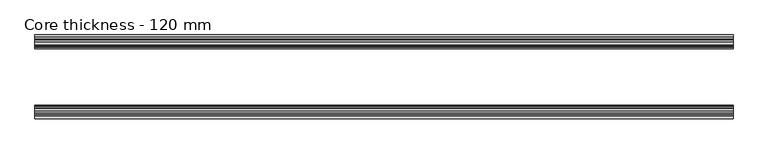
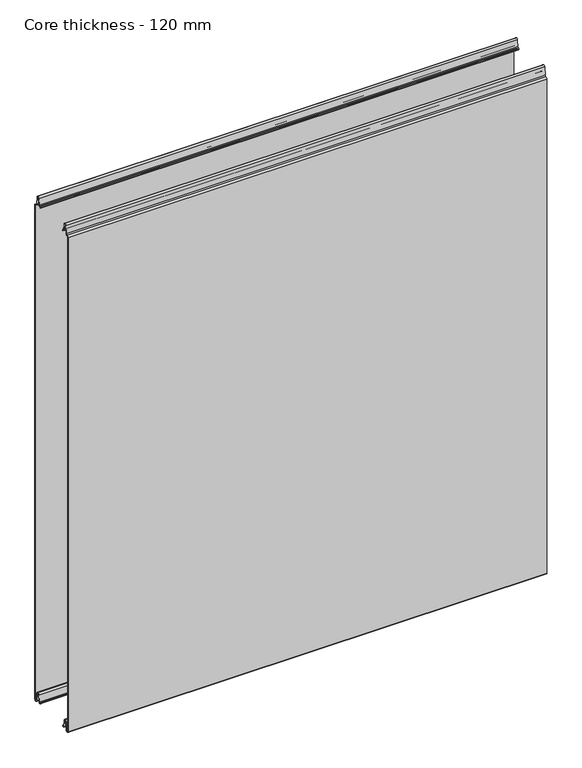
"""IFC4 building model written with IfcOpenShell, lengths in millimetres: plate geometry, Core thickness - 120 mm."""

import ifcopenshell
import ifcopenshell.guid

model = None  # the IFC model being written
_history = None  # IfcOwnerHistory: only IFC2X3 demands one
_inside = {}  # id of a spatial element -> (the spatial element, [elements in it])
_under = {}  # id of a project, library or spatial element -> (it, [spatial elements below it])
_declared = {}  # id of a project -> (the project, [libraries it declares])
_typed = {}  # id of a type object -> (the type object, [elements of that type])
_made_of = {}  # id of a material, layer set ... -> (it, [elements and type objects made of it])


def new_model(schema):
    """Start an empty IFC model of exactly this schema.

    Asked for "IFC4X3", IfcOpenShell would pick the latest addendum, in which some entities
    have other attributes; the version numbers below select the first issue.
    IFC2X3 requires an IfcOwnerHistory on every rooted entity: one is made here for all.
    """
    global model, _history
    if schema == "IFC4X3":
        model = ifcopenshell.file(schema_version=(4, 3, 0, 0))
    else:
        model = ifcopenshell.file(schema=schema)
    _inside.clear()
    _under.clear()
    _declared.clear()
    _typed.clear()
    _made_of.clear()
    _history = None
    if model.schema == "IFC2X3":
        org = make("IfcOrganization", Name="unknown")
        user = make(
            "IfcPersonAndOrganization",
            ThePerson=make("IfcPerson", FamilyName="unknown"),
            TheOrganization=org,
        )
        app = make(
            "IfcApplication",
            ApplicationDeveloper=org,
            Version="unknown",
            ApplicationFullName="unknown",
            ApplicationIdentifier="unknown",
        )
        _history = make(
            "IfcOwnerHistory",
            OwningUser=user,
            OwningApplication=app,
            ChangeAction="ADDED",
            CreationDate=0,
        )
    return model


def make(cls, **values):
    """One entity of the class cls with the attributes given. An attribute that is None is left unset."""
    return model.create_entity(
        cls, **{name: value for name, value in values.items() if value is not None}
    )


def rooted(cls, **values):
    """An entity with a GlobalId (a new one), such as an element, a storey or a relation."""
    return make(cls, GlobalId=ifcopenshell.guid.new(), OwnerHistory=_history, **values)


def si_unit(unit_type, name, prefix=None):
    """IfcSIUnit, for example si_unit("LENGTHUNIT", "METRE", prefix="MILLI")."""
    return make("IfcSIUnit", UnitType=unit_type, Prefix=prefix, Name=name)


def assignment(units):
    """IfcUnitAssignment: the units of a project."""
    return None if units is None else make("IfcUnitAssignment", Units=units)


def point(xyz):
    """IfcCartesianPoint."""
    return None if xyz is None else make("IfcCartesianPoint", Coordinates=xyz)


def direction(xyz):
    """IfcDirection."""
    return None if xyz is None else make("IfcDirection", DirectionRatios=xyz)


def frame(location, z_axis=None, x_axis=None):
    """IfcAxis2Placement3D, a coordinate frame: its origin and axes. An axis left out is left unset."""
    return make(
        "IfcAxis2Placement3D",
        Location=point(location),
        Axis=direction(z_axis),
        RefDirection=direction(x_axis),
    )


def origin():
    """The frame at (0, 0, 0) with its axes left unset."""
    return frame((0.0, 0.0, 0.0))


def place(relative_to, where):
    """IfcLocalPlacement: puts the frame where relative to a parent placement (None: the world)."""
    return make(
        "IfcLocalPlacement", PlacementRelTo=relative_to, RelativePlacement=where
    )


def context(
    kind, dimensions, precision=None, world=None, true_north=None, identifier=None
):
    """IfcGeometricRepresentationContext, for example the 3D "Model" context."""
    return make(
        "IfcGeometricRepresentationContext",
        ContextIdentifier=identifier,
        ContextType=kind,
        CoordinateSpaceDimension=dimensions,
        Precision=precision,
        WorldCoordinateSystem=world,
        TrueNorth=true_north,
    )


def project(units=None, contexts=None):
    """IfcProject with its units and contexts."""
    return rooted(
        "IfcProject",
        Name="project",
        RepresentationContexts=contexts,
        UnitsInContext=assignment(units),
    )


def spatial(cls, under=None, at=None, **own):
    """A site, building, storey or space (cls), placed at a placement, below another one or the project."""
    s = rooted(cls, ObjectPlacement=at, **own)
    if under is not None:
        _under.setdefault(under.id(), (under, []))[1].append(s)
    return s


def polyline(points):
    """IfcPolyline through the points."""
    return make("IfcPolyline", Points=[point(p) for p in points])


def circle_curve(where, radius):
    """IfcCircle in the frame where."""
    return make("IfcCircle", Position=where, Radius=radius)


def shape(context_of_items, identifier, shape_type, items):
    """IfcShapeRepresentation: the items that make up one representation, for example the "Body"."""
    return make(
        "IfcShapeRepresentation",
        ContextOfItems=context_of_items,
        RepresentationIdentifier=identifier,
        RepresentationType=shape_type,
        Items=items,
    )


def source(mapping_origin, context_of_items, identifier, shape_type, items):
    """IfcRepresentationMap: a shape defined once, which mapped items show again and again."""
    return make(
        "IfcRepresentationMap",
        MappingOrigin=mapping_origin,
        MappedRepresentation=shape(context_of_items, identifier, shape_type, items),
    )


def transform(
    local_origin,
    x_axis=None,
    y_axis=None,
    z_axis=None,
    scale=None,
    scale2=None,
    scale3=None,
    uniform=True,
):
    """IfcCartesianTransformationOperator3D, or its non-uniform kind. x_axis, y_axis, z_axis: its Axis1, 2, 3."""
    if uniform:
        return make(
            "IfcCartesianTransformationOperator3D",
            Axis1=direction(x_axis),
            Axis2=direction(y_axis),
            LocalOrigin=point(local_origin),
            Scale=scale,
            Axis3=direction(z_axis),
        )
    return make(
        "IfcCartesianTransformationOperator3DnonUniform",
        Axis1=direction(x_axis),
        Axis2=direction(y_axis),
        LocalOrigin=point(local_origin),
        Scale=scale,
        Axis3=direction(z_axis),
        Scale2=scale2,
        Scale3=scale3,
    )


def mapped(mapping_source, mapping_target):
    """IfcMappedItem: shows the shape of a source again, moved by a transform."""
    return make(
        "IfcMappedItem", MappingSource=mapping_source, MappingTarget=mapping_target
    )


def made_of(thing, what):
    """Note that an element or type object is made of a material, layer set ...; save() writes the relation."""
    if what is not None:
        _made_of.setdefault(what.id(), (what, []))[1].append(thing)
    return thing


def element(
    cls,
    number,
    at=None,
    inside=None,
    cuts=None,
    type_object=None,
    material=None,
    context=None,
    identifier="Body",
    shape_type=None,
    held_by="IfcProductDefinitionShape",
    body=None,
    shapes=None,
    **own,
):
    """One element of the class cls, such as IfcWall. Its Tag is "e" and its number.

    at: its placement. inside: the storey or other place that contains it. cuts: it is an
    opening in that element (IfcRelVoidsElement). A single representation is given by context,
    identifier, shape_type and body (its items); several are given by shapes. held_by: the class
    of the entity that holds the representations. save() writes the other relations.
    """
    e = rooted(cls, Tag="e%d" % number, ObjectPlacement=at, **own)
    if body is not None:
        shapes = [shape(context, identifier, shape_type, body)]
    if shapes is not None:
        e.Representation = make(held_by, Representations=shapes)
    if inside is not None:
        _inside.setdefault(inside.id(), (inside, []))[1].append(e)
    if cuts is not None:
        rooted(
            "IfcRelVoidsElement", RelatingBuildingElement=cuts, RelatedOpeningElement=e
        )
    if type_object is not None:
        _typed.setdefault(type_object.id(), (type_object, []))[1].append(e)
    return made_of(e, material)


def aggregate(whole, parts):
    """IfcRelAggregates: a whole, such as a stair, and the parts it consists of."""
    return rooted("IfcRelAggregates", RelatingObject=whole, RelatedObjects=parts)


def save(model, path):
    """Write the relations noted so far, then the file.

    IfcRelAggregates (storeys below a building ...), IfcRelContainedInSpatialStructure (elements
    in a storey), IfcRelDefinesByType, IfcRelAssociatesMaterial and IfcRelDeclares: one each for
    every whole, place, type object, material and project.
    """
    for whole, parts in _under.values():
        aggregate(whole, parts)
    for where, things in _inside.values():
        rooted(
            "IfcRelContainedInSpatialStructure",
            RelatedElements=things,
            RelatingStructure=where,
        )
    for kind, things in _typed.values():
        rooted("IfcRelDefinesByType", RelatedObjects=things, RelatingType=kind)
    for what, things in _made_of.values():
        rooted("IfcRelAssociatesMaterial", RelatedObjects=things, RelatingMaterial=what)
    for by, libraries in _declared.values():
        rooted("IfcRelDeclares", RelatingContext=by, RelatedDefinitions=libraries)
    model.write(path)


def plane_surface(at):
    """IfcPlane: the flat surface through the origin of the frame at, square to its z axis."""
    return make("IfcPlane", Position=at)


def cylinder_surface(at, radius):
    """IfcCylindricalSurface: all points at the distance radius from the z axis of the frame at."""
    return make("IfcCylindricalSurface", Position=at, Radius=radius)


def revolved_surface(curve, axis_point, axis_direction):
    """IfcSurfaceOfRevolution: the curve turned about the line through axis_point along axis_direction."""
    return make(
        "IfcSurfaceOfRevolution",
        SweptCurve=make("IfcArbitraryOpenProfileDef", ProfileType="CURVE", Curve=curve),
        AxisPosition=make("IfcAxis1Placement", Location=point(axis_point), Axis=direction(axis_direction)),
    )


def advanced_brep(points, edges, surfaces, faces):
    """IfcAdvancedBrep: a solid bounded by faces that lie on surfaces and meet in shared edges.

    An edge is (start, end): straight between two places in points (the first is 0);
    or (start, end, curve); or (start, end, curve, False) where it runs against its curve.
    A face is (place in surfaces, loops), or (place, loops, False) where it looks against
    its surface's normal. A loop lists edges by number (the first is 1), with a minus sign
    where the edge is run from its end to its start. The first loop is the outer one.
    """
    corners = [point(p) for p in points]
    vertices = [make("IfcVertexPoint", VertexGeometry=c) for c in corners]
    made = []
    for start, end, *more in edges:
        made.append(
            make(
                "IfcEdgeCurve",
                EdgeStart=vertices[start],
                EdgeEnd=vertices[end],
                EdgeGeometry=more[0] if more else make("IfcPolyline", Points=[corners[start], corners[end]]),
                SameSense=more[1] if len(more) > 1 else True,
            )
        )
    hull = []
    for where, loops, *sense in faces:
        bounds = []
        for j, loop in enumerate(loops):
            ring = [make("IfcOrientedEdge", EdgeElement=made[abs(k) - 1], Orientation=k > 0) for k in loop]
            bounds.append(
                make(
                    "IfcFaceOuterBound" if j == 0 else "IfcFaceBound",
                    Bound=make("IfcEdgeLoop", EdgeList=ring),
                    Orientation=True,
                )
            )
        hull.append(make("IfcAdvancedFace", Bounds=bounds, FaceSurface=surfaces[where], SameSense=sense[0] if sense else True))
    return make("IfcAdvancedBrep", Outer=make("IfcClosedShell", CfsFaces=hull))


def core_thickness_120_mm_d9e2a3a6(model_context):
    return source(origin(), model_context, "Body", "AdvancedBrep", [
        advanced_brep(
        [(500.0000002, -119.1996949, 1093.8000005), (500.0000002, -116.6339815, 1096.1942726), (500.0000002, -113.1209335, 1099.1779769), (500.0000002, -111.4584333, 1116.1334653), (500.0000002, -109.1776715, 1118.1999998), (500.0000002, -106.8969097, 1116.1334653), (500.0000002, -105.5642071, 1102.5415123), (500.0000002, -102.9766159, 1100.1952279), (500.0000002, -101.8996949, 1100.1952279), (500.0000002, -101.2996949, 1099.5952279), (500.0000002, -101.2996949, 1098.4952279), (500.0000002, -100.4996949, 1098.4952279), (500.0000002, -100.4996949, 1099.5952279), (500.0000002, -101.8996949, 1100.9952279), (500.0000002, -102.9766159, 1100.9952279), (500.0000002, -104.7680252, 1102.6195786), (500.0000002, -106.1007278, 1116.2115316), (500.0000002, -109.1776715, 1119.0), (500.0000002, -112.2546153, 1116.2115316), (500.0000002, -113.9171154, 1099.2560432), (500.0000002, -116.5778021, 1097.005967), (500.0000002, -119.9996949, 1093.8000005), (500.0000002, -119.9996949, 2.9900682), (500.0000002, -113.81449, 2.6875612), (500.0000002, -112.197116, 19.1828169), (500.0000002, -109.1776715, 21.8898782), (500.0000002, -106.1582271, 19.1828169), (500.0000002, -104.7725998, 5.0510966), (500.0000002, -100.3830995, 5.265779), (500.0000002, -101.1830995, 5.265779), (500.0000002, -103.9764178, 5.1291629), (500.0000002, -105.3620451, 19.2608832), (500.0000002, -109.1776715, 22.6899182), (500.0000002, -112.9932979, 19.2608832), (500.0000002, -114.6106719, 2.7656275), (500.0000002, -119.1996949, 2.9900682), (-500.0000002, -119.2, 1093.8000005), (-500.0000002, -119.2, 2.9900682), (-500.0000002, -114.6106719, 2.7656275), (-500.0000002, -112.9932979, 19.2608832), (-500.0000002, -109.1776715, 22.6899182), (-500.0000002, -105.3620451, 19.2608832), (-500.0000002, -103.9764178, 5.1291629), (-500.0000002, -101.1830995, 5.265779), (-500.0000002, -100.3830995, 5.265779), (-500.0000002, -104.7725998, 5.0510966), (-500.0000002, -106.1582271, 19.1828169), (-500.0000002, -109.1776715, 21.8898782), (-500.0000002, -112.197116, 19.1828169), (-500.0000002, -113.81449, 2.6875612), (-500.0000002, -119.9996949, 2.9900682), (-500.0000002, -119.9996949, 1093.8000005), (-500.0000002, -116.5787437, 1096.9923633), (-500.0000002, -113.9171154, 1099.2560432), (-500.0000002, -112.2546153, 1116.2115316), (-500.0000002, -109.1776715, 1119.0), (-500.0000002, -106.1007278, 1116.2115316), (-500.0000002, -104.7680252, 1102.6195786), (-500.0000002, -102.9766159, 1100.9952279), (-500.0000002, -101.8996949, 1100.9952279), (-500.0000002, -100.4996949, 1099.5952279), (-500.0000002, -100.4996949, 1098.4952279), (-500.0000002, -101.2996949, 1098.4952279), (-500.0000002, -101.2996949, 1099.5952279), (-500.0000002, -101.8996949, 1100.1952279), (-500.0000002, -102.9766159, 1100.1952279), (-500.0000002, -105.5642071, 1102.5415123), (-500.0000002, -106.8969097, 1116.1334653), (-500.0000002, -109.1776715, 1118.1999998), (-500.0000002, -111.4584333, 1116.1334653), (-500.0000002, -113.1209335, 1099.1779769), (-500.0000002, -116.6330399, 1096.2078763)],
        [
            (0, 1, circle_curve(frame((500.0000002, -116.7996949, 1093.8000005), z_axis=(-1.0, 0.0, 0.0), x_axis=(0.0, 0.0, -1.0)), 2.4)),
            (1, 2, circle_curve(frame((500.0000002, -116.4051839, 1099.5000005), z_axis=(1.0, 0.0, 0.0), x_axis=(0.0, 0.0, -1.0)), 3.3)),
            (2, 3),
            (3, 4, circle_curve(frame((500.0000002, -109.1793626, 1115.9100005), z_axis=(-1.0, 0.0, 0.0), x_axis=(0.0, 0.0, -1.0)), 2.29)),
            (4, 5, circle_curve(frame((500.0000002, -109.1759805, 1115.9100005), z_axis=(-1.0, 0.0, 0.0), x_axis=(0.0, 0.0, -1.0)), 2.29)),
            (5, 6),
            (6, 7, circle_curve(frame((500.0000002, -102.9766159, 1102.7952279), z_axis=(1.0, 0.0, 0.0), x_axis=(0.0, 0.0, -1.0)), 2.6)),
            (7, 8),
            (8, 9, circle_curve(frame((500.0000002, -101.8996949, 1099.5952279), z_axis=(-1.0, 0.0, 0.0), x_axis=(0.0, 0.0, -1.0)), 0.6)),
            (9, 10),
            (10, 11),
            (11, 12),
            (12, 13, circle_curve(frame((500.0000002, -101.8996949, 1099.5952279), z_axis=(1.0, 0.0, 0.0), x_axis=(0.0, 0.0, -1.0)), 1.4)),
            (13, 14),
            (14, 15, circle_curve(frame((500.0000002, -102.9766159, 1102.7952279), z_axis=(-1.0, 0.0, 0.0), x_axis=(0.0, 0.0, -1.0)), 1.8)),
            (15, 16),
            (16, 17, circle_curve(frame((500.0000002, -109.1759805, 1115.9100005), z_axis=(1.0, 0.0, 0.0), x_axis=(0.0, 0.0, -1.0)), 3.09)),
            (17, 18, circle_curve(frame((500.0000002, -109.1793626, 1115.9100005), z_axis=(1.0, 0.0, 0.0), x_axis=(0.0, 0.0, -1.0)), 3.09)),
            (18, 19),
            (19, 20, circle_curve(frame((500.0000002, -116.4051839, 1099.5000005), z_axis=(-1.0, 0.0, 0.0), x_axis=(0.0, 0.0, -1.0)), 2.5)),
            (20, 21, circle_curve(frame((500.0000002, -116.7996949, 1093.8000005), z_axis=(1.0, 0.0, 0.0), x_axis=(0.0, 0.0, -1.0)), 3.2)),
            (21, 22),
            (22, 23, circle_curve(frame((500.0000002, -116.8996949, 2.9900682), z_axis=(1.0, 0.0, 0.0), x_axis=(0.0, 0.0, -1.0)), 3.1)),
            (23, 24),
            (24, 25, circle_curve(frame((500.0000002, -109.2114338, 18.8900682), z_axis=(-1.0, 0.0, 0.0), x_axis=(0.0, 0.0, -1.0)), 3.0)),
            (25, 26, circle_curve(frame((500.0000002, -109.1439093, 18.8900682), z_axis=(-1.0, 0.0, 0.0), x_axis=(0.0, 0.0, -1.0)), 3.0)),
            (26, 27),
            (27, 28, circle_curve(frame((500.0000002, -102.5830995, 5.265779), z_axis=(1.0, 0.0, 0.0), x_axis=(0.0, 0.0, -1.0)), 2.2)),
            (28, 29),
            (29, 30, circle_curve(frame((500.0000002, -102.5830995, 5.265779), z_axis=(-1.0, 0.0, 0.0), x_axis=(0.0, 0.0, -1.0)), 1.4)),
            (30, 31),
            (31, 32, circle_curve(frame((500.0000002, -109.1439093, 18.8900682), z_axis=(1.0, 0.0, 0.0), x_axis=(0.0, 0.0, -1.0)), 3.8)),
            (32, 33, circle_curve(frame((500.0000002, -109.2114338, 18.8900682), z_axis=(1.0, 0.0, 0.0), x_axis=(0.0, 0.0, -1.0)), 3.8)),
            (33, 34),
            (34, 35, circle_curve(frame((500.0000002, -116.8996949, 2.9900682), z_axis=(-1.0, 0.0, 0.0), x_axis=(0.0, 0.0, -1.0)), 2.3)),
            (35, 0),
            (36, 37),
            (37, 38, circle_curve(frame((-500.0000002, -116.8996949, 2.9900682), z_axis=(1.0, 0.0, 0.0), x_axis=(0.0, 0.0, -1.0)), 2.3)),
            (38, 39),
            (39, 40, circle_curve(frame((-500.0000002, -109.2114338, 18.8900682), z_axis=(-1.0, 0.0, 0.0), x_axis=(0.0, 0.0, -1.0)), 3.8)),
            (40, 41, circle_curve(frame((-500.0000002, -109.1439093, 18.8900682), z_axis=(-1.0, 0.0, 0.0), x_axis=(0.0, 0.0, -1.0)), 3.8)),
            (41, 42),
            (42, 43, circle_curve(frame((-500.0000002, -102.5830995, 5.265779), z_axis=(1.0, 0.0, 0.0), x_axis=(0.0, 0.0, -1.0)), 1.4)),
            (43, 44),
            (44, 45, circle_curve(frame((-500.0000002, -102.5830995, 5.265779), z_axis=(-1.0, 0.0, 0.0), x_axis=(0.0, 0.0, -1.0)), 2.2)),
            (45, 46),
            (46, 47, circle_curve(frame((-500.0000002, -109.1439093, 18.8900682), z_axis=(1.0, 0.0, 0.0), x_axis=(0.0, 0.0, -1.0)), 3.0)),
            (47, 48, circle_curve(frame((-500.0000002, -109.2114338, 18.8900682), z_axis=(1.0, 0.0, 0.0), x_axis=(0.0, 0.0, -1.0)), 3.0)),
            (48, 49),
            (49, 50, circle_curve(frame((-500.0000002, -116.8996949, 2.9900682), z_axis=(-1.0, 0.0, 0.0), x_axis=(0.0, 0.0, -1.0)), 3.1)),
            (50, 51),
            (51, 52, circle_curve(frame((-500.0000002, -116.7996949, 1093.8000005), z_axis=(-1.0, 0.0, 0.0), x_axis=(0.0, 0.0, -1.0)), 3.2)),
            (52, 53, circle_curve(frame((-500.0000002, -116.4051839, 1099.5000005), z_axis=(1.0, 0.0, 0.0), x_axis=(0.0, 0.0, -1.0)), 2.5)),
            (53, 54),
            (54, 55, circle_curve(frame((-500.0000002, -109.1793626, 1115.9100005), z_axis=(-1.0, 0.0, 0.0), x_axis=(0.0, 0.0, -1.0)), 3.09)),
            (55, 56, circle_curve(frame((-500.0000002, -109.1759805, 1115.9100005), z_axis=(-1.0, 0.0, 0.0), x_axis=(0.0, 0.0, -1.0)), 3.09)),
            (56, 57),
            (57, 58, circle_curve(frame((-500.0000002, -102.9766159, 1102.7952279), z_axis=(1.0, 0.0, 0.0), x_axis=(0.0, 0.0, -1.0)), 1.8)),
            (58, 59),
            (59, 60, circle_curve(frame((-500.0000002, -101.8996949, 1099.5952279), z_axis=(-1.0, 0.0, 0.0), x_axis=(0.0, 0.0, -1.0)), 1.4)),
            (60, 61),
            (61, 62),
            (62, 63),
            (63, 64, circle_curve(frame((-500.0000002, -101.8996949, 1099.5952279), z_axis=(1.0, 0.0, 0.0), x_axis=(0.0, 0.0, -1.0)), 0.6)),
            (64, 65),
            (65, 66, circle_curve(frame((-500.0000002, -102.9766159, 1102.7952279), z_axis=(-1.0, 0.0, 0.0), x_axis=(0.0, 0.0, -1.0)), 2.6)),
            (66, 67),
            (67, 68, circle_curve(frame((-500.0000002, -109.1759805, 1115.9100005), z_axis=(1.0, 0.0, 0.0), x_axis=(0.0, 0.0, -1.0)), 2.29)),
            (68, 69, circle_curve(frame((-500.0000002, -109.1793626, 1115.9100005), z_axis=(1.0, 0.0, 0.0), x_axis=(0.0, 0.0, -1.0)), 2.29)),
            (69, 70),
            (70, 71, circle_curve(frame((-500.0000002, -116.4051839, 1099.5000005), z_axis=(-1.0, 0.0, 0.0), x_axis=(0.0, 0.0, -1.0)), 3.3)),
            (71, 36, circle_curve(frame((-500.0000002, -116.7996949, 1093.8000005), z_axis=(1.0, 0.0, 0.0), x_axis=(0.0, 0.0, -1.0)), 2.4)),
            (35, 37),
            (36, 0),
            (21, 51),
            (50, 22),
            (20, 52),
            (19, 53),
            (18, 54),
            (17, 55),
            (16, 56),
            (15, 57),
            (14, 58),
            (13, 59),
            (12, 60),
            (11, 61),
            (10, 62),
            (9, 63),
            (8, 64),
            (7, 65),
            (6, 66),
            (5, 67),
            (4, 68),
            (3, 69),
            (2, 70),
            (1, 71),
            (34, 38),
            (33, 39),
            (32, 40),
            (31, 41),
            (30, 42),
            (29, 43),
            (28, 44),
            (27, 45),
            (26, 46),
            (25, 47),
            (24, 48),
            (23, 49),
        ],
        [
            plane_surface(frame((500.0000002, -120.0, 0.0), z_axis=(1.0, 0.0, 0.0), x_axis=(0.0, 1.0, 0.0))),
            plane_surface(frame((-500.0000002, -120.0, 0.0), z_axis=(-1.0, 0.0, 0.0), x_axis=(0.0, 1.0, 0.0))),
            plane_surface(frame((500.0000002, -119.2, 2.9900682), z_axis=(0.0, 1.0, 0.0), x_axis=(-1.0, 0.0, 0.0))),
            plane_surface(frame((500.0000002, -119.9996949, 1093.8000005), z_axis=(0.0, -1.0, 0.0), x_axis=(-1.0, 0.0, 0.0))),
            cylinder_surface(frame((500.0000002, -116.7996949, 1093.8000005), z_axis=(1.0, 0.0, 0.0), x_axis=(0.0, 0.0, -1.0)), 3.2),
            revolved_surface(polyline([(-500.0000002, -116.4051839, 1097.0000005), (500.0000002, -116.4051839, 1097.0000005)]), (500.0000002, -116.4051839, 1099.5000005), (-1.0, 0.0, 0.0)),
            plane_surface(frame((500.0000002, -112.2546153, 1116.2115316), z_axis=(0.0, -0.9952273999818317, 0.0975828997591444), x_axis=(-1.0, 0.0, 0.0))),
            cylinder_surface(frame((500.0000002, -109.1793626, 1115.9100005), z_axis=(1.0, 0.0, 0.0), x_axis=(0.0, 0.0, -1.0)), 3.09),
            cylinder_surface(frame((500.0000002, -109.1759805, 1115.9100005), z_axis=(1.0, 0.0, 0.0), x_axis=(0.0, 0.0, -1.0)), 3.09),
            plane_surface(frame((500.0000002, -104.7680252, 1102.6195786), z_axis=(0.0, 0.9952273999818314, 0.0975828997591471), x_axis=(-1.0, 0.0, 0.0))),
            revolved_surface(polyline([(-500.0000002, -102.9766159, 1100.9952279000001), (500.0000002, -102.9766159, 1100.9952279000001)]), (500.0000002, -102.9766159, 1102.7952279), (-1.0, 0.0, 0.0)),
            plane_surface(frame((500.0000002, -101.8996949, 1100.9952279), z_axis=(0.0, 0.0, 1.0), x_axis=(-1.0, 0.0, 0.0))),
            cylinder_surface(frame((500.0000002, -101.8996949, 1099.5952279), z_axis=(1.0, 0.0, 0.0), x_axis=(0.0, 0.0, -1.0)), 1.4),
            plane_surface(frame((500.0000002, -100.4996949, 1098.4952279), z_axis=(0.0, 1.0, 0.0), x_axis=(-1.0, 0.0, 0.0))),
            plane_surface(frame((500.0000002, -101.2996949, 1098.4952279), z_axis=(0.0, 0.0, -1.0), x_axis=(-1.0, 0.0, 0.0))),
            plane_surface(frame((500.0000002, -101.2996949, 1099.5952279), z_axis=(0.0, -1.0, 0.0), x_axis=(-1.0, 0.0, 0.0))),
            revolved_surface(polyline([(-500.0000002, -101.8996949, 1098.9952279000001), (500.0000002, -101.8996949, 1098.9952279000001)]), (500.0000002, -101.8996949, 1099.5952279), (-1.0, 0.0, 0.0)),
            plane_surface(frame((500.0000002, -102.9766159, 1100.1952279), z_axis=(0.0, 0.0, -1.0), x_axis=(-1.0, 0.0, 0.0))),
            cylinder_surface(frame((500.0000002, -102.9766159, 1102.7952279), z_axis=(1.0, 0.0, 0.0), x_axis=(0.0, 0.0, -1.0)), 2.6),
            plane_surface(frame((500.0000002, -106.8969097, 1116.1334653), z_axis=(0.0, -0.9952273999818314, -0.09758289975914705), x_axis=(-1.0, 0.0, 0.0))),
            revolved_surface(polyline([(-500.0000002, -109.1759805, 1113.6200005), (500.0000002, -109.1759805, 1113.6200005)]), (500.0000002, -109.1759805, 1115.9100005), (-1.0, 0.0, 0.0)),
            revolved_surface(polyline([(-500.0000002, -109.1793626, 1113.6200005), (500.0000002, -109.1793626, 1113.6200005)]), (500.0000002, -109.1793626, 1115.9100005), (-1.0, 0.0, 0.0)),
            plane_surface(frame((500.0000002, -113.1209335, 1099.1779769), z_axis=(0.0, 0.9952273999818317, -0.09758289975914436), x_axis=(-1.0, 0.0, 0.0))),
            cylinder_surface(frame((500.0000002, -116.4051839, 1099.5000005), z_axis=(1.0, 0.0, 0.0), x_axis=(0.0, 0.0, -1.0)), 3.3),
            revolved_surface(polyline([(-500.0000002, -116.7996949, 1091.4000004999998), (500.0000002, -116.7996949, 1091.4000004999998)]), (500.0000002, -116.7996949, 1093.8000005), (-1.0, 0.0, 0.0)),
            revolved_surface(polyline([(-500.0000002, -116.8996949, 0.6900682000000002), (500.0000002, -116.8996949, 0.6900682000000002)]), (500.0000002, -116.8996949, 2.9900682), (-1.0, 0.0, 0.0)),
            plane_surface(frame((500.0000002, -112.9932979, 19.2608832), z_axis=(0.0, -0.9952273999818314, 0.09758289975914787), x_axis=(-1.0, 0.0, 0.0))),
            cylinder_surface(frame((500.0000002, -109.2114338, 18.8900682), z_axis=(1.0, 0.0, 0.0), x_axis=(0.0, 0.0, -1.0)), 3.8),
            cylinder_surface(frame((500.0000002, -109.1439093, 18.8900682), z_axis=(1.0, 0.0, 0.0), x_axis=(0.0, 0.0, -1.0)), 3.8),
            plane_surface(frame((500.0000002, -103.9764178, 5.1291629), z_axis=(0.0, 0.9952273999818297, 0.09758289975916531), x_axis=(-1.0, 0.0, 0.0))),
            revolved_surface(polyline([(-500.0000002, -102.5830995, 3.8657790000000003), (500.0000002, -102.5830995, 3.8657790000000003)]), (500.0000002, -102.5830995, 5.265779), (-1.0, 0.0, 0.0)),
            plane_surface(frame((500.0000002, -100.3830995, 5.265779), z_axis=(0.0, 0.0, 1.0), x_axis=(-1.0, 0.0, 0.0))),
            cylinder_surface(frame((500.0000002, -102.5830995, 5.265779), z_axis=(1.0, 0.0, 0.0), x_axis=(0.0, 0.0, -1.0)), 2.2),
            plane_surface(frame((500.0000002, -106.1582271, 19.1828169), z_axis=(0.0, -0.9952273999818296, -0.09758289975916527), x_axis=(-1.0, 0.0, 0.0))),
            revolved_surface(polyline([(-500.0000002, -109.1439093, 15.890068200000002), (500.0000002, -109.1439093, 15.890068200000002)]), (500.0000002, -109.1439093, 18.8900682), (-1.0, 0.0, 0.0)),
            revolved_surface(polyline([(-500.0000002, -109.2114338, 15.890068200000002), (500.0000002, -109.2114338, 15.890068200000002)]), (500.0000002, -109.2114338, 18.8900682), (-1.0, 0.0, 0.0)),
            plane_surface(frame((500.0000002, -113.81449, 2.6875612), z_axis=(0.0, 0.9952273999818314, -0.09758289975914787), x_axis=(-1.0, 0.0, 0.0))),
            cylinder_surface(frame((500.0000002, -116.8996949, 2.9900682), z_axis=(1.0, 0.0, 0.0), x_axis=(0.0, 0.0, -1.0)), 3.1),
        ],
        [
            (0, [[1, 2, 3, 4, 5, 6, 7, 8, 9, 10, 11, 12, 13, 14, 15, 16, 17, 18, 19, 20, 21, 22, 23, 24, 25, 26, 27, 28, 29, 30, 31, 32, 33, 34, 35, 36]]),
            (1, [[37, 38, 39, 40, 41, 42, 43, 44, 45, 46, 47, 48, 49, 50, 51, 52, 53, 54, 55, 56, 57, 58, 59, 60, 61, 62, 63, 64, 65, 66, 67, 68, 69, 70, 71, 72]]),
            (2, [[-36, 73, -37, 74]]),
            (3, [[-22, 75, -51, 76]]),
            (4, [[-21, 77, -52, -75]]),
            (5, [[-20, 78, -53, -77]]),
            (6, [[-19, 79, -54, -78]]),
            (7, [[-18, 80, -55, -79]]),
            (8, [[-17, 81, -56, -80]]),
            (9, [[-16, 82, -57, -81]]),
            (10, [[-15, 83, -58, -82]]),
            (11, [[-14, 84, -59, -83]]),
            (12, [[-13, 85, -60, -84]]),
            (13, [[-12, 86, -61, -85]]),
            (14, [[-11, 87, -62, -86]]),
            (15, [[-10, 88, -63, -87]]),
            (16, [[-9, 89, -64, -88]]),
            (17, [[-8, 90, -65, -89]]),
            (18, [[-7, 91, -66, -90]]),
            (19, [[-6, 92, -67, -91]]),
            (20, [[-5, 93, -68, -92]]),
            (21, [[-4, 94, -69, -93]]),
            (22, [[-3, 95, -70, -94]]),
            (23, [[-2, 96, -71, -95]]),
            (24, [[-1, -74, -72, -96]]),
            (25, [[-35, 97, -38, -73]]),
            (26, [[-34, 98, -39, -97]]),
            (27, [[-33, 99, -40, -98]]),
            (28, [[-32, 100, -41, -99]]),
            (29, [[-31, 101, -42, -100]]),
            (30, [[-30, 102, -43, -101]]),
            (31, [[-29, 103, -44, -102]]),
            (32, [[-28, 104, -45, -103]]),
            (33, [[-27, 105, -46, -104]]),
            (34, [[-26, 106, -47, -105]]),
            (35, [[-25, 107, -48, -106]]),
            (36, [[-24, 108, -49, -107]]),
            (37, [[-23, -76, -50, -108]]),
        ],
    ),
        advanced_brep(
        [(500.0000002, -0.8, 1093.8000005), (500.0000002, -0.8, 2.9900682), (500.0000002, -5.3893281, 2.7656275), (500.0000002, -7.0067021, 19.2608832), (500.0000002, -10.8223285, 22.6899182), (500.0000002, -14.6379549, 19.2608832), (500.0000002, -16.0235822, 5.1291629), (500.0000002, -18.8169005, 5.265779), (500.0000002, -19.6169005, 5.265779), (500.0000002, -15.2274002, 5.0510966), (500.0000002, -13.8417729, 19.1828169), (500.0000002, -10.8223285, 21.8898782), (500.0000002, -7.802884, 19.1828169), (500.0000002, -6.18551, 2.6875612), (500.0000002, -0.0003051, 2.9900682), (500.0000002, -0.0003051, 1093.8000005), (500.0000002, -3.4212563, 1096.9923633), (500.0000002, -6.0828846, 1099.2560432), (500.0000002, -7.7453847, 1116.2115316), (500.0000002, -10.8223285, 1119.0), (500.0000002, -13.8992722, 1116.2115316), (500.0000002, -15.2319748, 1102.6195786), (500.0000002, -17.0233841, 1100.9952279), (500.0000002, -18.1003051, 1100.9952279), (500.0000002, -19.5003051, 1099.5952279), (500.0000002, -19.5003051, 1098.4952279), (500.0000002, -18.7003051, 1098.4952279), (500.0000002, -18.7003051, 1099.5952279), (500.0000002, -18.1003051, 1100.1952279), (500.0000002, -17.0233841, 1100.1952279), (500.0000002, -14.4357929, 1102.5415123), (500.0000002, -13.1030903, 1116.1334653), (500.0000002, -10.8223285, 1118.1999998), (500.0000002, -8.5415667, 1116.1334653), (500.0000002, -6.8790665, 1099.1779769), (500.0000002, -3.3669601, 1096.2078763), (-500.0000002, -0.8003051, 1093.8000005), (-500.0000002, -3.3660185, 1096.1942726), (-500.0000002, -6.8790665, 1099.1779769), (-500.0000002, -8.5415667, 1116.1334653), (-500.0000002, -10.8223285, 1118.1999998), (-500.0000002, -13.1030903, 1116.1334653), (-500.0000002, -14.4357929, 1102.5415123), (-500.0000002, -17.0233841, 1100.1952279), (-500.0000002, -18.1003051, 1100.1952279), (-500.0000002, -18.7003051, 1099.5952279), (-500.0000002, -18.7003051, 1098.4952279), (-500.0000002, -19.5003051, 1098.4952279), (-500.0000002, -19.5003051, 1099.5952279), (-500.0000002, -18.1003051, 1100.9952279), (-500.0000002, -17.0233841, 1100.9952279), (-500.0000002, -15.2319748, 1102.6195786), (-500.0000002, -13.8992722, 1116.2115316), (-500.0000002, -10.8223285, 1119.0), (-500.0000002, -7.7453847, 1116.2115316), (-500.0000002, -6.0828846, 1099.2560432), (-500.0000002, -3.4221979, 1097.005967), (-500.0000002, -0.0003051, 1093.8000005), (-500.0000002, -0.0003051, 2.9900682), (-500.0000002, -6.18551, 2.6875612), (-500.0000002, -7.802884, 19.1828169), (-500.0000002, -10.8223285, 21.8898782), (-500.0000002, -13.8417729, 19.1828169), (-500.0000002, -15.2274002, 5.0510966), (-500.0000002, -19.6169005, 5.265779), (-500.0000002, -18.8169005, 5.265779), (-500.0000002, -16.0235822, 5.1291629), (-500.0000002, -14.6379549, 19.2608832), (-500.0000002, -10.8223285, 22.6899182), (-500.0000002, -7.0067021, 19.2608832), (-500.0000002, -5.3893281, 2.7656275), (-500.0000002, -0.8003051, 2.9900682)],
        [
            (0, 1),
            (1, 2, circle_curve(frame((500.0000002, -3.1003051, 2.9900682), z_axis=(-1.0, 0.0, 0.0), x_axis=(0.0, 0.0, -1.0)), 2.3)),
            (2, 3),
            (3, 4, circle_curve(frame((500.0000002, -10.7885662, 18.8900682), z_axis=(1.0, 0.0, 0.0), x_axis=(0.0, 0.0, -1.0)), 3.8)),
            (4, 5, circle_curve(frame((500.0000002, -10.8560907, 18.8900682), z_axis=(1.0, 0.0, 0.0), x_axis=(0.0, 0.0, -1.0)), 3.8)),
            (5, 6),
            (6, 7, circle_curve(frame((500.0000002, -17.4169005, 5.265779), z_axis=(-1.0, 0.0, 0.0), x_axis=(0.0, 0.0, -1.0)), 1.4)),
            (7, 8),
            (8, 9, circle_curve(frame((500.0000002, -17.4169005, 5.265779), z_axis=(1.0, 0.0, 0.0), x_axis=(0.0, 0.0, -1.0)), 2.2)),
            (9, 10),
            (10, 11, circle_curve(frame((500.0000002, -10.8560907, 18.8900682), z_axis=(-1.0, 0.0, 0.0), x_axis=(0.0, 0.0, -1.0)), 3.0)),
            (11, 12, circle_curve(frame((500.0000002, -10.7885662, 18.8900682), z_axis=(-1.0, 0.0, 0.0), x_axis=(0.0, 0.0, -1.0)), 3.0)),
            (12, 13),
            (13, 14, circle_curve(frame((500.0000002, -3.1003051, 2.9900682), z_axis=(1.0, 0.0, 0.0), x_axis=(0.0, 0.0, -1.0)), 3.1)),
            (14, 15),
            (15, 16, circle_curve(frame((500.0000002, -3.2003051, 1093.8000005), z_axis=(1.0, 0.0, 0.0), x_axis=(0.0, 0.0, -1.0)), 3.2)),
            (16, 17, circle_curve(frame((500.0000002, -3.5948161, 1099.5000005), z_axis=(-1.0, 0.0, 0.0), x_axis=(0.0, 0.0, -1.0)), 2.5)),
            (17, 18),
            (18, 19, circle_curve(frame((500.0000002, -10.8206374, 1115.9100005), z_axis=(1.0, 0.0, 0.0), x_axis=(0.0, 0.0, -1.0)), 3.09)),
            (19, 20, circle_curve(frame((500.0000002, -10.8240195, 1115.9100005), z_axis=(1.0, 0.0, 0.0), x_axis=(0.0, 0.0, -1.0)), 3.09)),
            (20, 21),
            (21, 22, circle_curve(frame((500.0000002, -17.0233841, 1102.7952279), z_axis=(-1.0, 0.0, 0.0), x_axis=(0.0, 0.0, -1.0)), 1.8)),
            (22, 23),
            (23, 24, circle_curve(frame((500.0000002, -18.1003051, 1099.5952279), z_axis=(1.0, 0.0, 0.0), x_axis=(0.0, 0.0, -1.0)), 1.4)),
            (24, 25),
            (25, 26),
            (26, 27),
            (27, 28, circle_curve(frame((500.0000002, -18.1003051, 1099.5952279), z_axis=(-1.0, 0.0, 0.0), x_axis=(0.0, 0.0, -1.0)), 0.6)),
            (28, 29),
            (29, 30, circle_curve(frame((500.0000002, -17.0233841, 1102.7952279), z_axis=(1.0, 0.0, 0.0), x_axis=(0.0, 0.0, -1.0)), 2.6)),
            (30, 31),
            (31, 32, circle_curve(frame((500.0000002, -10.8240195, 1115.9100005), z_axis=(-1.0, 0.0, 0.0), x_axis=(0.0, 0.0, -1.0)), 2.29)),
            (32, 33, circle_curve(frame((500.0000002, -10.8206374, 1115.9100005), z_axis=(-1.0, 0.0, 0.0), x_axis=(0.0, 0.0, -1.0)), 2.29)),
            (33, 34),
            (34, 35, circle_curve(frame((500.0000002, -3.5948161, 1099.5000005), z_axis=(1.0, 0.0, 0.0), x_axis=(0.0, 0.0, -1.0)), 3.3)),
            (35, 0, circle_curve(frame((500.0000002, -3.2003051, 1093.8000005), z_axis=(-1.0, 0.0, 0.0), x_axis=(0.0, 0.0, -1.0)), 2.4)),
            (36, 37, circle_curve(frame((-500.0000002, -3.2003051, 1093.8000005), z_axis=(1.0, 0.0, 0.0), x_axis=(0.0, 0.0, -1.0)), 2.4)),
            (37, 38, circle_curve(frame((-500.0000002, -3.5948161, 1099.5000005), z_axis=(-1.0, 0.0, 0.0), x_axis=(0.0, 0.0, -1.0)), 3.3)),
            (38, 39),
            (39, 40, circle_curve(frame((-500.0000002, -10.8206374, 1115.9100005), z_axis=(1.0, 0.0, 0.0), x_axis=(0.0, 0.0, -1.0)), 2.29)),
            (40, 41, circle_curve(frame((-500.0000002, -10.8240195, 1115.9100005), z_axis=(1.0, 0.0, 0.0), x_axis=(0.0, 0.0, -1.0)), 2.29)),
            (41, 42),
            (42, 43, circle_curve(frame((-500.0000002, -17.0233841, 1102.7952279), z_axis=(-1.0, 0.0, 0.0), x_axis=(0.0, 0.0, -1.0)), 2.6)),
            (43, 44),
            (44, 45, circle_curve(frame((-500.0000002, -18.1003051, 1099.5952279), z_axis=(1.0, 0.0, 0.0), x_axis=(0.0, 0.0, -1.0)), 0.6)),
            (45, 46),
            (46, 47),
            (47, 48),
            (48, 49, circle_curve(frame((-500.0000002, -18.1003051, 1099.5952279), z_axis=(-1.0, 0.0, 0.0), x_axis=(0.0, 0.0, -1.0)), 1.4)),
            (49, 50),
            (50, 51, circle_curve(frame((-500.0000002, -17.0233841, 1102.7952279), z_axis=(1.0, 0.0, 0.0), x_axis=(0.0, 0.0, -1.0)), 1.8)),
            (51, 52),
            (52, 53, circle_curve(frame((-500.0000002, -10.8240195, 1115.9100005), z_axis=(-1.0, 0.0, 0.0), x_axis=(0.0, 0.0, -1.0)), 3.09)),
            (53, 54, circle_curve(frame((-500.0000002, -10.8206374, 1115.9100005), z_axis=(-1.0, 0.0, 0.0), x_axis=(0.0, 0.0, -1.0)), 3.09)),
            (54, 55),
            (55, 56, circle_curve(frame((-500.0000002, -3.5948161, 1099.5000005), z_axis=(1.0, 0.0, 0.0), x_axis=(0.0, 0.0, -1.0)), 2.5)),
            (56, 57, circle_curve(frame((-500.0000002, -3.2003051, 1093.8000005), z_axis=(-1.0, 0.0, 0.0), x_axis=(0.0, 0.0, -1.0)), 3.2)),
            (57, 58),
            (58, 59, circle_curve(frame((-500.0000002, -3.1003051, 2.9900682), z_axis=(-1.0, 0.0, 0.0), x_axis=(0.0, 0.0, -1.0)), 3.1)),
            (59, 60),
            (60, 61, circle_curve(frame((-500.0000002, -10.7885662, 18.8900682), z_axis=(1.0, 0.0, 0.0), x_axis=(0.0, 0.0, -1.0)), 3.0)),
            (61, 62, circle_curve(frame((-500.0000002, -10.8560907, 18.8900682), z_axis=(1.0, 0.0, 0.0), x_axis=(0.0, 0.0, -1.0)), 3.0)),
            (62, 63),
            (63, 64, circle_curve(frame((-500.0000002, -17.4169005, 5.265779), z_axis=(-1.0, 0.0, 0.0), x_axis=(0.0, 0.0, -1.0)), 2.2)),
            (64, 65),
            (65, 66, circle_curve(frame((-500.0000002, -17.4169005, 5.265779), z_axis=(1.0, 0.0, 0.0), x_axis=(0.0, 0.0, -1.0)), 1.4)),
            (66, 67),
            (67, 68, circle_curve(frame((-500.0000002, -10.8560907, 18.8900682), z_axis=(-1.0, 0.0, 0.0), x_axis=(0.0, 0.0, -1.0)), 3.8)),
            (68, 69, circle_curve(frame((-500.0000002, -10.7885662, 18.8900682), z_axis=(-1.0, 0.0, 0.0), x_axis=(0.0, 0.0, -1.0)), 3.8)),
            (69, 70),
            (70, 71, circle_curve(frame((-500.0000002, -3.1003051, 2.9900682), z_axis=(1.0, 0.0, 0.0), x_axis=(0.0, 0.0, -1.0)), 2.3)),
            (71, 36),
            (35, 37),
            (36, 0),
            (34, 38),
            (33, 39),
            (32, 40),
            (31, 41),
            (30, 42),
            (29, 43),
            (28, 44),
            (27, 45),
            (26, 46),
            (25, 47),
            (24, 48),
            (23, 49),
            (22, 50),
            (21, 51),
            (20, 52),
            (19, 53),
            (18, 54),
            (17, 55),
            (16, 56),
            (15, 57),
            (14, 58),
            (71, 1),
            (13, 59),
            (12, 60),
            (11, 61),
            (10, 62),
            (9, 63),
            (8, 64),
            (7, 65),
            (6, 66),
            (5, 67),
            (4, 68),
            (3, 69),
            (2, 70),
        ],
        [
            plane_surface(frame((500.0000002, 0.0, 0.0), z_axis=(1.0, 0.0, 0.0), x_axis=(0.0, -1.0, 0.0))),
            plane_surface(frame((-500.0000002, 0.0, 0.0), z_axis=(-1.0, 0.0, 0.0), x_axis=(0.0, -1.0, 0.0))),
            revolved_surface(polyline([(-500.0000002, -3.2003051, 1091.4000004999998), (500.0000002, -3.2003051, 1091.4000004999998)]), (500.0000002, -3.2003051, 1093.8000005), (-1.0, 0.0, 0.0)),
            cylinder_surface(frame((500.0000002, -3.5948161, 1099.5000005), z_axis=(1.0, 0.0, 0.0), x_axis=(0.0, 0.0, -1.0)), 3.3),
            plane_surface(frame((500.0000002, -8.5415667, 1116.1334653), z_axis=(0.0, -0.9952273999818317, -0.09758289975914436), x_axis=(-1.0, 0.0, 0.0))),
            revolved_surface(polyline([(-500.0000002, -10.8206374, 1113.6200005), (500.0000002, -10.8206374, 1113.6200005)]), (500.0000002, -10.8206374, 1115.9100005), (-1.0, 0.0, 0.0)),
            revolved_surface(polyline([(-500.0000002, -10.8240195, 1113.6200005), (500.0000002, -10.8240195, 1113.6200005)]), (500.0000002, -10.8240195, 1115.9100005), (-1.0, 0.0, 0.0)),
            plane_surface(frame((500.0000002, -14.4357929, 1102.5415123), z_axis=(0.0, 0.9952273999818314, -0.09758289975914705), x_axis=(-1.0, 0.0, 0.0))),
            cylinder_surface(frame((500.0000002, -17.0233841, 1102.7952279), z_axis=(1.0, 0.0, 0.0), x_axis=(0.0, 0.0, -1.0)), 2.6),
            plane_surface(frame((500.0000002, -18.1003051, 1100.1952279), z_axis=(0.0, 0.0, -1.0), x_axis=(-1.0, 0.0, 0.0))),
            revolved_surface(polyline([(-500.0000002, -18.1003051, 1098.9952279000001), (500.0000002, -18.1003051, 1098.9952279000001)]), (500.0000002, -18.1003051, 1099.5952279), (-1.0, 0.0, 0.0)),
            plane_surface(frame((500.0000002, -18.7003051, 1098.4952279), z_axis=(0.0, 1.0, 0.0), x_axis=(-1.0, 0.0, 0.0))),
            plane_surface(frame((500.0000002, -19.5003051, 1098.4952279), z_axis=(0.0, 0.0, -1.0), x_axis=(-1.0, 0.0, 0.0))),
            plane_surface(frame((500.0000002, -19.5003051, 1099.5952279), z_axis=(0.0, -1.0, 0.0), x_axis=(-1.0, 0.0, 0.0))),
            cylinder_surface(frame((500.0000002, -18.1003051, 1099.5952279), z_axis=(1.0, 0.0, 0.0), x_axis=(0.0, 0.0, -1.0)), 1.4),
            plane_surface(frame((500.0000002, -17.0233841, 1100.9952279), z_axis=(0.0, 0.0, 1.0), x_axis=(-1.0, 0.0, 0.0))),
            revolved_surface(polyline([(-500.0000002, -17.0233841, 1100.9952279000001), (500.0000002, -17.0233841, 1100.9952279000001)]), (500.0000002, -17.0233841, 1102.7952279), (-1.0, 0.0, 0.0)),
            plane_surface(frame((500.0000002, -13.8992722, 1116.2115316), z_axis=(0.0, -0.9952273999818314, 0.0975828997591471), x_axis=(-1.0, 0.0, 0.0))),
            cylinder_surface(frame((500.0000002, -10.8240195, 1115.9100005), z_axis=(1.0, 0.0, 0.0), x_axis=(0.0, 0.0, -1.0)), 3.09),
            cylinder_surface(frame((500.0000002, -10.8206374, 1115.9100005), z_axis=(1.0, 0.0, 0.0), x_axis=(0.0, 0.0, -1.0)), 3.09),
            plane_surface(frame((500.0000002, -6.0828846, 1099.2560432), z_axis=(0.0, 0.9952273999818317, 0.0975828997591444), x_axis=(-1.0, 0.0, 0.0))),
            revolved_surface(polyline([(-500.0000002, -3.5948161, 1097.0000005), (500.0000002, -3.5948161, 1097.0000005)]), (500.0000002, -3.5948161, 1099.5000005), (-1.0, 0.0, 0.0)),
            cylinder_surface(frame((500.0000002, -3.2003051, 1093.8000005), z_axis=(1.0, 0.0, 0.0), x_axis=(0.0, 0.0, -1.0)), 3.2),
            plane_surface(frame((500.0000002, -0.0003051, 2.9900682), z_axis=(0.0, 1.0, 0.0), x_axis=(-1.0, 0.0, 0.0))),
            plane_surface(frame((500.0000002, -0.8, 1093.8000005), z_axis=(0.0, -1.0, 0.0), x_axis=(-1.0, 0.0, 0.0))),
            cylinder_surface(frame((500.0000002, -3.1003051, 2.9900682), z_axis=(1.0, 0.0, 0.0), x_axis=(0.0, 0.0, -1.0)), 3.1),
            plane_surface(frame((500.0000002, -7.802884, 19.1828169), z_axis=(0.0, -0.9952273999818314, -0.09758289975914787), x_axis=(-1.0, 0.0, 0.0))),
            revolved_surface(polyline([(-500.0000002, -10.7885662, 15.890068200000002), (500.0000002, -10.7885662, 15.890068200000002)]), (500.0000002, -10.7885662, 18.8900682), (-1.0, 0.0, 0.0)),
            revolved_surface(polyline([(-500.0000002, -10.8560907, 15.890068200000002), (500.0000002, -10.8560907, 15.890068200000002)]), (500.0000002, -10.8560907, 18.8900682), (-1.0, 0.0, 0.0)),
            plane_surface(frame((500.0000002, -15.2274002, 5.0510966), z_axis=(0.0, 0.9952273999818296, -0.09758289975916527), x_axis=(-1.0, 0.0, 0.0))),
            cylinder_surface(frame((500.0000002, -17.4169005, 5.265779), z_axis=(1.0, 0.0, 0.0), x_axis=(0.0, 0.0, -1.0)), 2.2),
            plane_surface(frame((500.0000002, -18.8169005, 5.265779), z_axis=(0.0, 0.0, 1.0), x_axis=(-1.0, 0.0, 0.0))),
            revolved_surface(polyline([(-500.0000002, -17.4169005, 3.8657790000000003), (500.0000002, -17.4169005, 3.8657790000000003)]), (500.0000002, -17.4169005, 5.265779), (-1.0, 0.0, 0.0)),
            plane_surface(frame((500.0000002, -14.6379549, 19.2608832), z_axis=(0.0, -0.9952273999818297, 0.09758289975916531), x_axis=(-1.0, 0.0, 0.0))),
            cylinder_surface(frame((500.0000002, -10.8560907, 18.8900682), z_axis=(1.0, 0.0, 0.0), x_axis=(0.0, 0.0, -1.0)), 3.8),
            cylinder_surface(frame((500.0000002, -10.7885662, 18.8900682), z_axis=(1.0, 0.0, 0.0), x_axis=(0.0, 0.0, -1.0)), 3.8),
            plane_surface(frame((500.0000002, -5.3893281, 2.7656275), z_axis=(0.0, 0.9952273999818314, 0.09758289975914787), x_axis=(-1.0, 0.0, 0.0))),
            revolved_surface(polyline([(-500.0000002, -3.1003051, 0.6900682000000002), (500.0000002, -3.1003051, 0.6900682000000002)]), (500.0000002, -3.1003051, 2.9900682), (-1.0, 0.0, 0.0)),
        ],
        [
            (0, [[1, 2, 3, 4, 5, 6, 7, 8, 9, 10, 11, 12, 13, 14, 15, 16, 17, 18, 19, 20, 21, 22, 23, 24, 25, 26, 27, 28, 29, 30, 31, 32, 33, 34, 35, 36]]),
            (1, [[37, 38, 39, 40, 41, 42, 43, 44, 45, 46, 47, 48, 49, 50, 51, 52, 53, 54, 55, 56, 57, 58, 59, 60, 61, 62, 63, 64, 65, 66, 67, 68, 69, 70, 71, 72]]),
            (2, [[-36, 73, -37, 74]]),
            (3, [[-35, 75, -38, -73]]),
            (4, [[-34, 76, -39, -75]]),
            (5, [[-33, 77, -40, -76]]),
            (6, [[-32, 78, -41, -77]]),
            (7, [[-31, 79, -42, -78]]),
            (8, [[-30, 80, -43, -79]]),
            (9, [[-29, 81, -44, -80]]),
            (10, [[-28, 82, -45, -81]]),
            (11, [[-27, 83, -46, -82]]),
            (12, [[-26, 84, -47, -83]]),
            (13, [[-25, 85, -48, -84]]),
            (14, [[-24, 86, -49, -85]]),
            (15, [[-23, 87, -50, -86]]),
            (16, [[-22, 88, -51, -87]]),
            (17, [[-21, 89, -52, -88]]),
            (18, [[-20, 90, -53, -89]]),
            (19, [[-19, 91, -54, -90]]),
            (20, [[-18, 92, -55, -91]]),
            (21, [[-17, 93, -56, -92]]),
            (22, [[-16, 94, -57, -93]]),
            (23, [[-15, 95, -58, -94]]),
            (24, [[-1, -74, -72, 96]]),
            (25, [[-14, 97, -59, -95]]),
            (26, [[-13, 98, -60, -97]]),
            (27, [[-12, 99, -61, -98]]),
            (28, [[-11, 100, -62, -99]]),
            (29, [[-10, 101, -63, -100]]),
            (30, [[-9, 102, -64, -101]]),
            (31, [[-8, 103, -65, -102]]),
            (32, [[-7, 104, -66, -103]]),
            (33, [[-6, 105, -67, -104]]),
            (34, [[-5, 106, -68, -105]]),
            (35, [[-4, 107, -69, -106]]),
            (36, [[-3, 108, -70, -107]]),
            (37, [[-2, -96, -71, -108]]),
        ],
    ),
    ])


if __name__ == "__main__":
    model = new_model("IFC4")
    model_context = context("Model", 3, world=origin())
    ifc_project = project(units=[si_unit("LENGTHUNIT", "METRE", prefix="MILLI")], contexts=[model_context])
    site = spatial("IfcSite", under=ifc_project)
    building = spatial("IfcBuilding", under=site)
    placement = place(None, origin())
    core_thickness_120_mm_shape = core_thickness_120_mm_d9e2a3a6(model_context)
    element("IfcPlate", 1, ObjectType="Core thickness - 120 mm", at=placement, inside=building, context=model_context, shape_type="MappedRepresentation", body=[
        mapped(core_thickness_120_mm_shape, transform((0.0, 0.0, 0.0), x_axis=(1.0, 0.0, 0.0), y_axis=(0.0, 1.0, 0.0), z_axis=(0.0, 0.0, 1.0))),
    ])
    save(model, "model.ifc")
